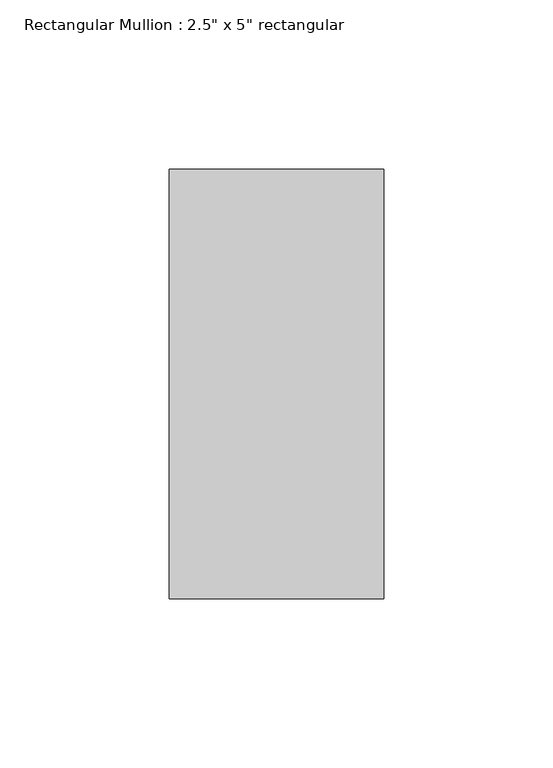
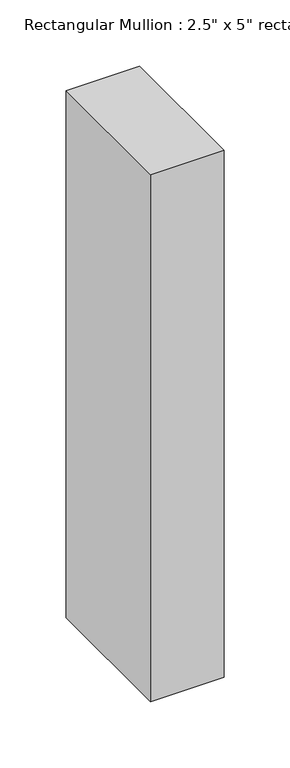
"""IFC4 building model written with IfcOpenShell, lengths in millimetres: member geometry."""

from ifc_helpers import new_model, si_unit, frame, origin, place, context, project, spatial, polyline, outline, extrude, source, transform, mapped, element, save


def member_7be9f8b5(model_context):
    return source(origin(), model_context, "Body", "SweptSolid", [
        extrude(outline(polyline([(31.75, 63.5), (31.75, -63.5), (-31.75, -63.5), (-31.75, 63.5), (31.75, 63.5)])), frame((0.0, 0.0, -483.8725004), z_axis=(0.0, 0.0, 1.0), x_axis=(1.0, 0.0, 0.0)), (0.0, 0.0, 1.0), 483.8725004),
    ])


if __name__ == "__main__":
    model = new_model("IFC4")
    model_context = context("Model", 3, world=origin())
    ifc_project = project(units=[si_unit("LENGTHUNIT", "METRE", prefix="MILLI")], contexts=[model_context])
    site = spatial("IfcSite", under=ifc_project)
    building = spatial("IfcBuilding", under=site)
    placement = place(None, origin())
    member_shape = member_7be9f8b5(model_context)
    element("IfcMember", 1, ObjectType="Rectangular Mullion : 2.5\" x 5\" rectangular", at=placement, inside=building, context=model_context, shape_type="MappedRepresentation", body=[
        mapped(member_shape, transform((0.0, 0.0, 0.0), x_axis=(1.0, 0.0, 0.0), y_axis=(0.0, 1.0, 0.0), z_axis=(0.0, 0.0, 1.0))),
    ])
    save(model, "model.ifc")
